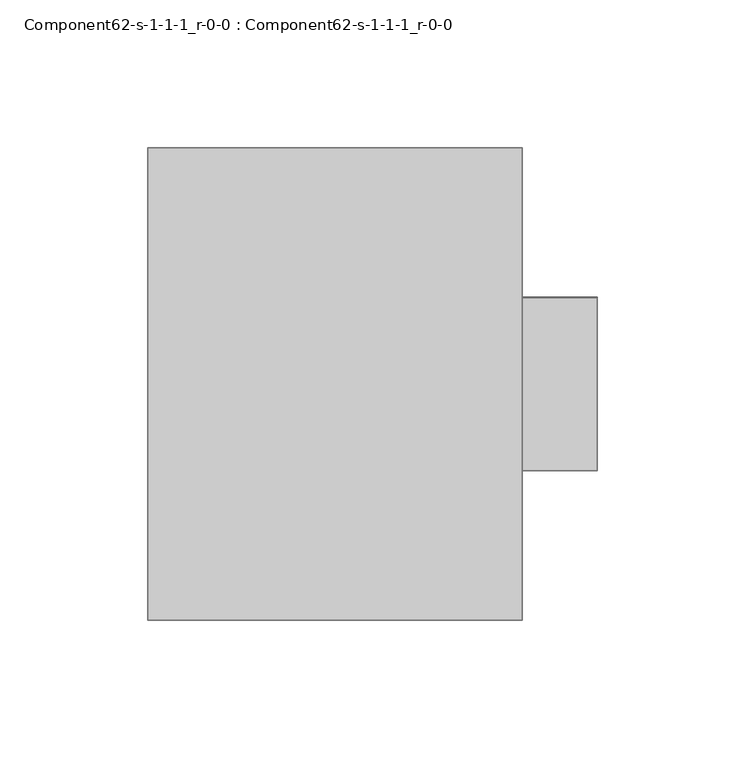
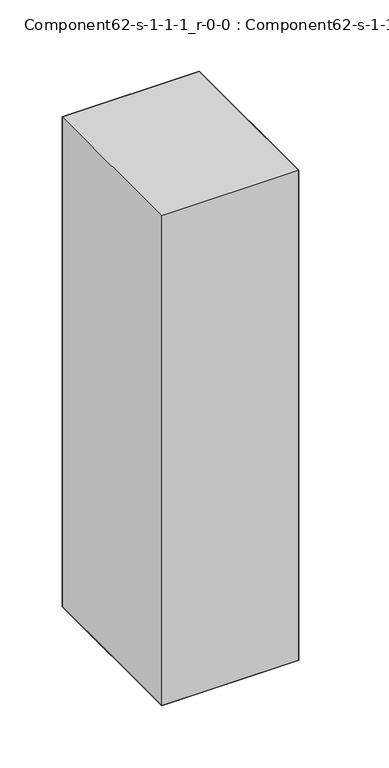
"""IFC4 building model written with IfcOpenShell, lengths in millimetres: proxy geometry, Component62-s-1-1-1_r-0-0 : Component62-s-1-1-1_r-0-0."""

from ifc_helpers import new_model, si_unit, origin, place, context, project, spatial, triangles, source, transform, mapped, element, save


def component62_s_1_1_1_r_0_0_component62_s_1_1_1_r_0_0_6ec97bda(model_context):
    return source(origin(), model_context, "Body", "Tessellation", [
        triangles([(152.4, 50.8000015, 429.7442267), (126.999997, 109.381414, 429.7442267), (126.999997, 50.8000015, 429.7442267), (152.4, 109.381414, 429.7442267), (126.999997, 50.8000015, 50.8000015), (152.4, 50.8000015, 50.8000015), (152.4, 109.381414, 50.8000015), (126.999997, 109.381414, 50.8000015)], [[1, 2, 3], [2, 1, 4], [1, 5, 6], [5, 1, 3], [2, 7, 8], [7, 2, 4], [7, 1, 6], [1, 7, 4], [7, 5, 8], [5, 7, 6]], closed=False),
        triangles([(126.999997, 0.0, 0.0), (126.999997, 50.8000015, 50.8000015), (126.999997, 0.0, 480.544251), (126.999997, 160.1814109, 0.0), (126.999997, 109.381414, 50.8000015), (126.999997, 109.381414, 429.7442267), (126.999997, 50.8000015, 429.7442267), (126.999997, 160.1814109, 480.544251), (0.0, 160.1814109, 480.544251), (0.0, 160.1814109, 0.0), (0.0, 0.0, 0.0), (0.0, 0.0, 480.544251)], [[1, 2, 3], [2, 1, 4], [2, 4, 5], [5, 4, 6], [3, 7, 8], [7, 3, 2], [8, 7, 6], [8, 6, 4], [9, 4, 10], [4, 9, 8], [4, 11, 10], [11, 4, 1], [3, 11, 1], [11, 3, 12], [9, 11, 12], [11, 9, 10], [3, 9, 12], [9, 3, 8]], closed=False),
    ])


if __name__ == "__main__":
    model = new_model("IFC4")
    model_context = context("Model", 3, world=origin())
    ifc_project = project(units=[si_unit("LENGTHUNIT", "METRE", prefix="MILLI")], contexts=[model_context])
    site = spatial("IfcSite", under=ifc_project)
    building = spatial("IfcBuilding", under=site)
    placement = place(None, origin())
    component62_s_1_1_1_r_0_0_component62_s_1_1_1_r_0_0_shape = component62_s_1_1_1_r_0_0_component62_s_1_1_1_r_0_0_6ec97bda(model_context)
    element("IfcBuildingElementProxy", 1, Name="Component62-s-1-1-1_r-0-0 : Component62-s-1-1-1_r-0-0", ObjectType="Component62-s-1-1-1_r-0-0 : Component62-s-1-1-1_r-0-0", at=placement, inside=building, context=model_context, shape_type="MappedRepresentation", body=[
        mapped(component62_s_1_1_1_r_0_0_component62_s_1_1_1_r_0_0_shape, transform((0.0, 0.0, 0.0), x_axis=(1.0, 0.0, 0.0), y_axis=(0.0, 1.0, 0.0), z_axis=(0.0, 0.0, 1.0))),
    ])
    save(model, "model.ifc")
